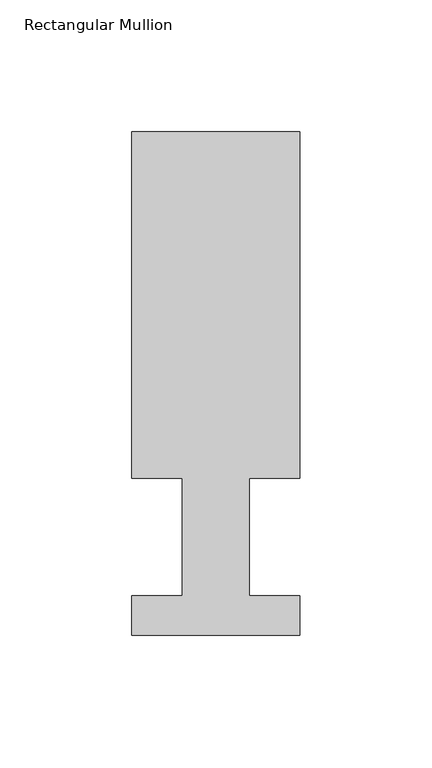
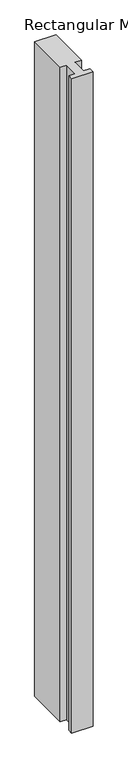
"""IFC4 building model written with IfcOpenShell, lengths in millimetres: member geometry, Rectangular Mullion."""

from ifc_helpers import new_model, si_unit, frame, origin, place, context, project, spatial, polyline, outline, extrude, source, transform, mapped, element, save


def rectangular_mullion_5a0e48c0(model_context):
    return source(origin(), model_context, "Body", "SweptSolid", [
        extrude(outline(polyline([(-31.75, 188.8174107), (31.75, 188.8174107), (31.75, 57.6460937), (12.7, 57.6460937), (12.7, 13.1960938), (31.75, 13.1960938), (31.75, -1.7587893), (-31.75, -1.7587893), (-31.75, 13.1960938), (-12.7, 13.1960938), (-12.7, 57.6460937), (-31.75, 57.6460937), (-31.75, 188.8174107)])), frame((0.0, 0.0, -2057.4), z_axis=(0.0, 0.0, 1.0), x_axis=(1.0, 0.0, 0.0)), (0.0, 0.0, 1.0), 2057.4),
    ])


if __name__ == "__main__":
    model = new_model("IFC4")
    model_context = context("Model", 3, world=origin())
    ifc_project = project(units=[si_unit("LENGTHUNIT", "METRE", prefix="MILLI")], contexts=[model_context])
    site = spatial("IfcSite", under=ifc_project)
    building = spatial("IfcBuilding", under=site)
    placement = place(None, origin())
    rectangular_mullion_shape = rectangular_mullion_5a0e48c0(model_context)
    element("IfcMember", 1, ObjectType="Rectangular Mullion", at=placement, inside=building, context=model_context, shape_type="MappedRepresentation", body=[
        mapped(rectangular_mullion_shape, transform((0.0, 0.0, 0.0), x_axis=(1.0, 0.0, 0.0), y_axis=(0.0, 1.0, 0.0), z_axis=(0.0, 0.0, 1.0))),
    ])
    save(model, "model.ifc")
